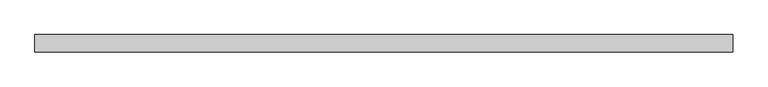
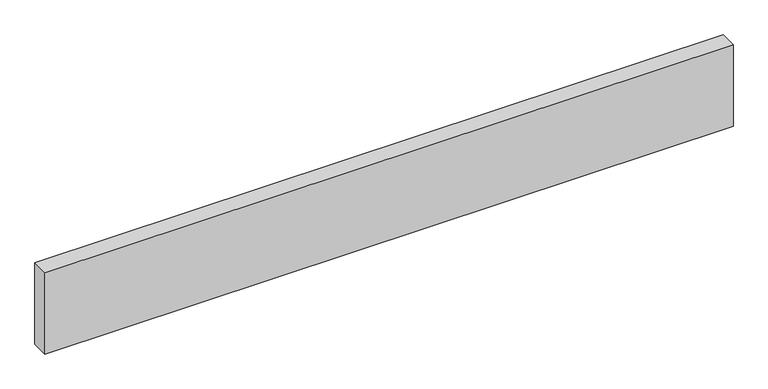
"""IFC4 building model written with IfcOpenShell, lengths in millimetres: proxy geometry."""

from ifc_helpers import new_model, si_unit, origin, origin_with_axes, place, context, project, spatial, polyline, outline, extrude, source, transform, mapped, element, save


def generic_models_cc49514e(model_context):
    return source(origin(), model_context, "Body", "SweptSolid", [
        extrude(outline(polyline([(0.0, -100.0), (-4000.0, -100.0), (-4000.0, 0.0), (0.0, 0.0), (0.0, -100.0)])), origin_with_axes(), (0.0, 0.0, 1.0), 500.0),
    ])


if __name__ == "__main__":
    model = new_model("IFC4")
    model_context = context("Model", 3, world=origin())
    ifc_project = project(units=[si_unit("LENGTHUNIT", "METRE", prefix="MILLI")], contexts=[model_context])
    site = spatial("IfcSite", under=ifc_project)
    building = spatial("IfcBuilding", under=site)
    placement = place(None, origin())
    generic_models_shape = generic_models_cc49514e(model_context)
    element("IfcBuildingElementProxy", 1, Name="Generic Models", at=placement, inside=building, context=model_context, shape_type="MappedRepresentation", body=[
        mapped(generic_models_shape, transform((0.0, 0.0, 0.0), x_axis=(1.0, 0.0, 0.0), y_axis=(0.0, 1.0, 0.0), z_axis=(0.0, 0.0, 1.0))),
    ])
    save(model, "model.ifc")
